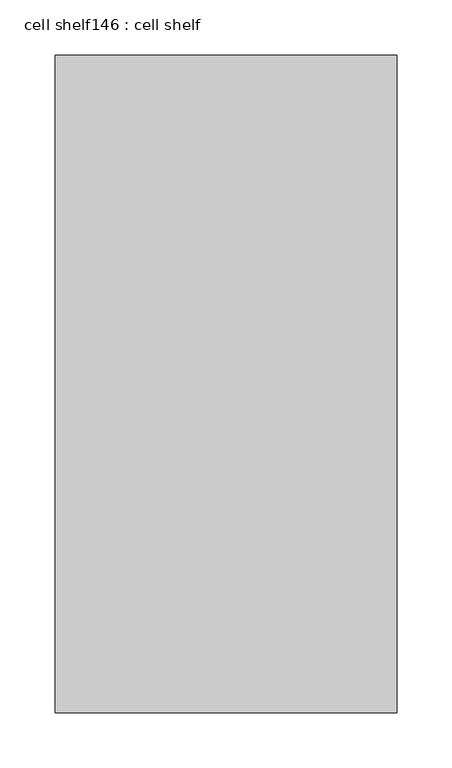
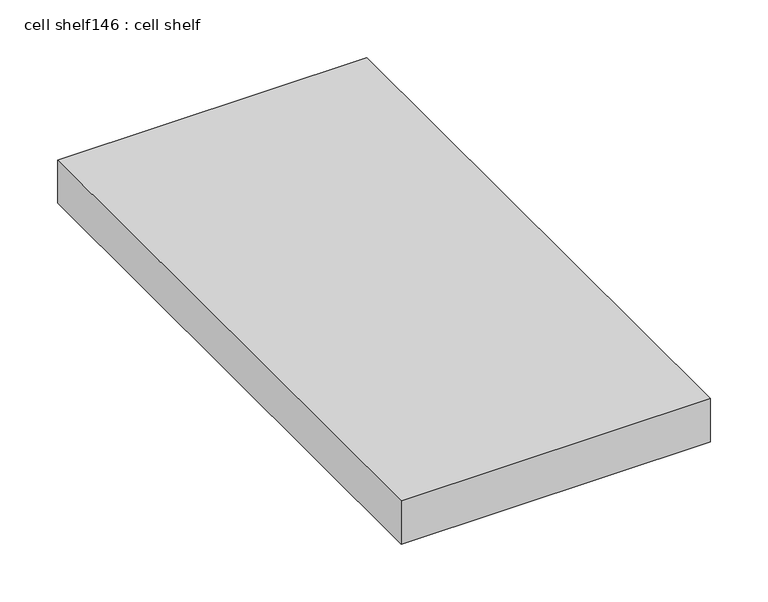
"""IFC4 building model written with IfcOpenShell, lengths in millimetres: proxy geometry, cell shelf146 : cell shelf."""

from ifc_helpers import new_model, si_unit, frame, origin, place, context, project, spatial, polyline, outline, extrude, source, transform, mapped, element, save


def cell_shelf146_cell_shelf_68d1a1a2(model_context):
    return source(origin(), model_context, "Body", "SweptSolid", [
        extrude(outline(polyline([(-119317.4657024, -57542.2906598), (-119317.4657024, -56947.2042641), (-119008.1179059, -56947.2042641), (-119008.1179059, -57542.2906598), (-119317.4657024, -57542.2906598)])), frame((0.0, 0.0, 1320.0941517), z_axis=(0.0, 0.0, 1.0), x_axis=(1.0, 0.0, 0.0)), (0.0, 0.0, 1.0), 45.8133004),
    ])


if __name__ == "__main__":
    model = new_model("IFC4")
    model_context = context("Model", 3, world=origin())
    ifc_project = project(units=[si_unit("LENGTHUNIT", "METRE", prefix="MILLI")], contexts=[model_context])
    site = spatial("IfcSite", under=ifc_project)
    building = spatial("IfcBuilding", under=site)
    placement = place(None, origin())
    cell_shelf146_cell_shelf_shape = cell_shelf146_cell_shelf_68d1a1a2(model_context)
    element("IfcBuildingElementProxy", 1, Name="cell shelf146 : cell shelf", ObjectType="cell shelf146 : cell shelf", at=placement, inside=building, context=model_context, shape_type="MappedRepresentation", body=[
        mapped(cell_shelf146_cell_shelf_shape, transform((0.0, 0.0, 0.0), x_axis=(1.0, 0.0, 0.0), y_axis=(0.0, 1.0, 0.0), z_axis=(0.0, 0.0, 1.0))),
    ])
    save(model, "model.ifc")
